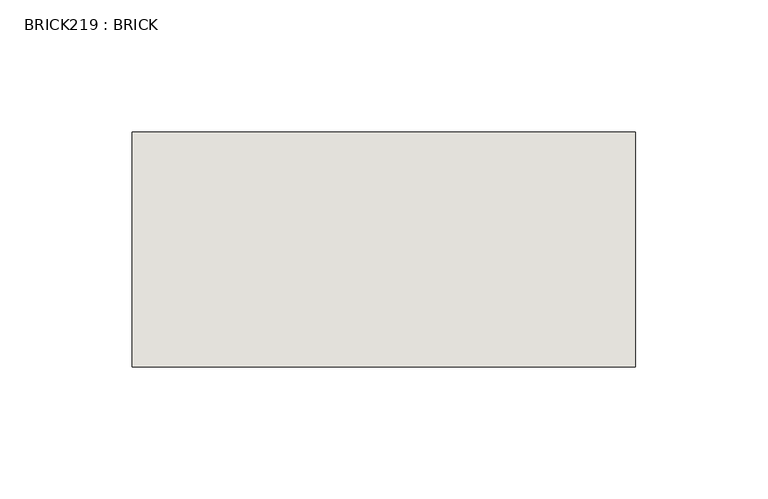
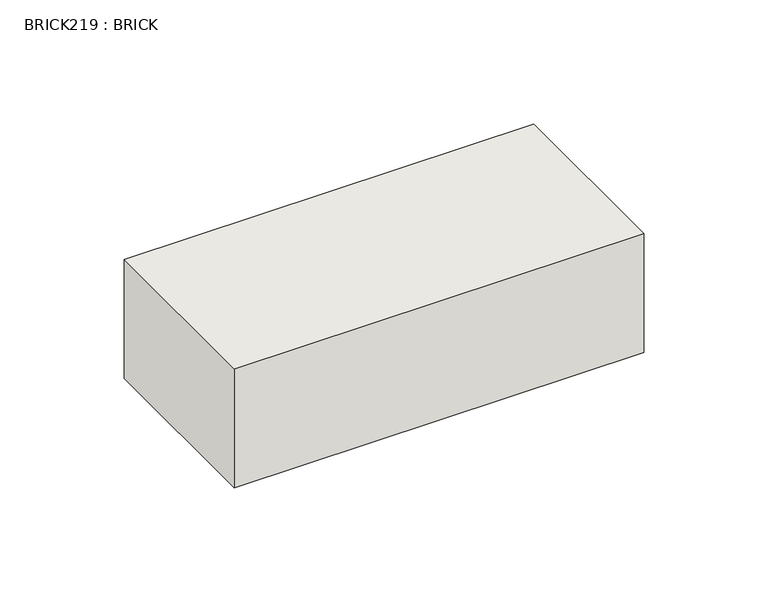
"""IFC4 building model written with IfcOpenShell, lengths in millimetres: wall geometry, BRICK219 : BRICK."""

import ifcopenshell
import ifcopenshell.guid

model = None  # the IFC model being written
_history = None  # IfcOwnerHistory: only IFC2X3 demands one
_inside = {}  # id of a spatial element -> (the spatial element, [elements in it])
_under = {}  # id of a project, library or spatial element -> (it, [spatial elements below it])
_declared = {}  # id of a project -> (the project, [libraries it declares])
_typed = {}  # id of a type object -> (the type object, [elements of that type])
_made_of = {}  # id of a material, layer set ... -> (it, [elements and type objects made of it])


def new_model(schema):
    """Start an empty IFC model of exactly this schema.

    Asked for "IFC4X3", IfcOpenShell would pick the latest addendum, in which some entities
    have other attributes; the version numbers below select the first issue.
    IFC2X3 requires an IfcOwnerHistory on every rooted entity: one is made here for all.
    """
    global model, _history
    if schema == "IFC4X3":
        model = ifcopenshell.file(schema_version=(4, 3, 0, 0))
    else:
        model = ifcopenshell.file(schema=schema)
    _inside.clear()
    _under.clear()
    _declared.clear()
    _typed.clear()
    _made_of.clear()
    _history = None
    if model.schema == "IFC2X3":
        org = make("IfcOrganization", Name="unknown")
        user = make(
            "IfcPersonAndOrganization",
            ThePerson=make("IfcPerson", FamilyName="unknown"),
            TheOrganization=org,
        )
        app = make(
            "IfcApplication",
            ApplicationDeveloper=org,
            Version="unknown",
            ApplicationFullName="unknown",
            ApplicationIdentifier="unknown",
        )
        _history = make(
            "IfcOwnerHistory",
            OwningUser=user,
            OwningApplication=app,
            ChangeAction="ADDED",
            CreationDate=0,
        )
    return model


def make(cls, **values):
    """One entity of the class cls with the attributes given. An attribute that is None is left unset."""
    return model.create_entity(
        cls, **{name: value for name, value in values.items() if value is not None}
    )


def rooted(cls, **values):
    """An entity with a GlobalId (a new one), such as an element, a storey or a relation."""
    return make(cls, GlobalId=ifcopenshell.guid.new(), OwnerHistory=_history, **values)


def si_unit(unit_type, name, prefix=None):
    """IfcSIUnit, for example si_unit("LENGTHUNIT", "METRE", prefix="MILLI")."""
    return make("IfcSIUnit", UnitType=unit_type, Prefix=prefix, Name=name)


def assignment(units):
    """IfcUnitAssignment: the units of a project."""
    return None if units is None else make("IfcUnitAssignment", Units=units)


def point(xyz):
    """IfcCartesianPoint."""
    return None if xyz is None else make("IfcCartesianPoint", Coordinates=xyz)


def direction(xyz):
    """IfcDirection."""
    return None if xyz is None else make("IfcDirection", DirectionRatios=xyz)


def frame(location, z_axis=None, x_axis=None):
    """IfcAxis2Placement3D, a coordinate frame: its origin and axes. An axis left out is left unset."""
    return make(
        "IfcAxis2Placement3D",
        Location=point(location),
        Axis=direction(z_axis),
        RefDirection=direction(x_axis),
    )


def origin():
    """The frame at (0, 0, 0) with its axes left unset."""
    return frame((0.0, 0.0, 0.0))


def place(relative_to, where):
    """IfcLocalPlacement: puts the frame where relative to a parent placement (None: the world)."""
    return make(
        "IfcLocalPlacement", PlacementRelTo=relative_to, RelativePlacement=where
    )


def context(
    kind, dimensions, precision=None, world=None, true_north=None, identifier=None
):
    """IfcGeometricRepresentationContext, for example the 3D "Model" context."""
    return make(
        "IfcGeometricRepresentationContext",
        ContextIdentifier=identifier,
        ContextType=kind,
        CoordinateSpaceDimension=dimensions,
        Precision=precision,
        WorldCoordinateSystem=world,
        TrueNorth=true_north,
    )


def project(units=None, contexts=None):
    """IfcProject with its units and contexts."""
    return rooted(
        "IfcProject",
        Name="project",
        RepresentationContexts=contexts,
        UnitsInContext=assignment(units),
    )


def spatial(cls, under=None, at=None, **own):
    """A site, building, storey or space (cls), placed at a placement, below another one or the project."""
    s = rooted(cls, ObjectPlacement=at, **own)
    if under is not None:
        _under.setdefault(under.id(), (under, []))[1].append(s)
    return s


def polyline(points):
    """IfcPolyline through the points."""
    return make("IfcPolyline", Points=[point(p) for p in points])


def outline(outer, holes=None, kind="AREA"):
    """IfcArbitraryClosedProfileDef: a profile drawn as a closed curve; with holes, ...WithVoids."""
    if holes is None:
        return make("IfcArbitraryClosedProfileDef", ProfileType=kind, OuterCurve=outer)
    return make(
        "IfcArbitraryProfileDefWithVoids",
        ProfileType=kind,
        OuterCurve=outer,
        InnerCurves=holes,
    )


def extrude(swept, where, along, depth):
    """IfcExtrudedAreaSolid: the profile swept, set in the frame where, extruded along a direction by depth."""
    return make(
        "IfcExtrudedAreaSolid",
        SweptArea=swept,
        Position=where,
        ExtrudedDirection=direction(along),
        Depth=depth,
    )


def shape(context_of_items, identifier, shape_type, items):
    """IfcShapeRepresentation: the items that make up one representation, for example the "Body"."""
    return make(
        "IfcShapeRepresentation",
        ContextOfItems=context_of_items,
        RepresentationIdentifier=identifier,
        RepresentationType=shape_type,
        Items=items,
    )


def source(mapping_origin, context_of_items, identifier, shape_type, items):
    """IfcRepresentationMap: a shape defined once, which mapped items show again and again."""
    return make(
        "IfcRepresentationMap",
        MappingOrigin=mapping_origin,
        MappedRepresentation=shape(context_of_items, identifier, shape_type, items),
    )


def transform(
    local_origin,
    x_axis=None,
    y_axis=None,
    z_axis=None,
    scale=None,
    scale2=None,
    scale3=None,
    uniform=True,
):
    """IfcCartesianTransformationOperator3D, or its non-uniform kind. x_axis, y_axis, z_axis: its Axis1, 2, 3."""
    if uniform:
        return make(
            "IfcCartesianTransformationOperator3D",
            Axis1=direction(x_axis),
            Axis2=direction(y_axis),
            LocalOrigin=point(local_origin),
            Scale=scale,
            Axis3=direction(z_axis),
        )
    return make(
        "IfcCartesianTransformationOperator3DnonUniform",
        Axis1=direction(x_axis),
        Axis2=direction(y_axis),
        LocalOrigin=point(local_origin),
        Scale=scale,
        Axis3=direction(z_axis),
        Scale2=scale2,
        Scale3=scale3,
    )


def mapped(mapping_source, mapping_target):
    """IfcMappedItem: shows the shape of a source again, moved by a transform."""
    return make(
        "IfcMappedItem", MappingSource=mapping_source, MappingTarget=mapping_target
    )


def made_of(thing, what):
    """Note that an element or type object is made of a material, layer set ...; save() writes the relation."""
    if what is not None:
        _made_of.setdefault(what.id(), (what, []))[1].append(thing)
    return thing


def element(
    cls,
    number,
    at=None,
    inside=None,
    cuts=None,
    type_object=None,
    material=None,
    context=None,
    identifier="Body",
    shape_type=None,
    held_by="IfcProductDefinitionShape",
    body=None,
    shapes=None,
    **own,
):
    """One element of the class cls, such as IfcWall. Its Tag is "e" and its number.

    at: its placement. inside: the storey or other place that contains it. cuts: it is an
    opening in that element (IfcRelVoidsElement). A single representation is given by context,
    identifier, shape_type and body (its items); several are given by shapes. held_by: the class
    of the entity that holds the representations. save() writes the other relations.
    """
    e = rooted(cls, Tag="e%d" % number, ObjectPlacement=at, **own)
    if body is not None:
        shapes = [shape(context, identifier, shape_type, body)]
    if shapes is not None:
        e.Representation = make(held_by, Representations=shapes)
    if inside is not None:
        _inside.setdefault(inside.id(), (inside, []))[1].append(e)
    if cuts is not None:
        rooted(
            "IfcRelVoidsElement", RelatingBuildingElement=cuts, RelatedOpeningElement=e
        )
    if type_object is not None:
        _typed.setdefault(type_object.id(), (type_object, []))[1].append(e)
    return made_of(e, material)


def aggregate(whole, parts):
    """IfcRelAggregates: a whole, such as a stair, and the parts it consists of."""
    return rooted("IfcRelAggregates", RelatingObject=whole, RelatedObjects=parts)


def save(model, path):
    """Write the relations noted so far, then the file.

    IfcRelAggregates (storeys below a building ...), IfcRelContainedInSpatialStructure (elements
    in a storey), IfcRelDefinesByType, IfcRelAssociatesMaterial and IfcRelDeclares: one each for
    every whole, place, type object, material and project.
    """
    for whole, parts in _under.values():
        aggregate(whole, parts)
    for where, things in _inside.values():
        rooted(
            "IfcRelContainedInSpatialStructure",
            RelatedElements=things,
            RelatingStructure=where,
        )
    for kind, things in _typed.values():
        rooted("IfcRelDefinesByType", RelatedObjects=things, RelatingType=kind)
    for what, things in _made_of.values():
        rooted("IfcRelAssociatesMaterial", RelatedObjects=things, RelatingMaterial=what)
    for by, libraries in _declared.values():
        rooted("IfcRelDeclares", RelatingContext=by, RelatedDefinitions=libraries)
    model.write(path)


def brick219_brick_39b1322d(model_context):
    return source(origin(), model_context, "Body", "SweptSolid", [
        extrude(outline(polyline([(-1277.8574357, 3062.3923312), (-1087.3574357, 3062.3923312), (-1087.3574357, 2973.4923312), (-1277.8574357, 2973.4923312), (-1277.8574357, 3062.3923312)])), frame((0.0, 0.0, 143.8671875), z_axis=(0.0, 0.0, 1.0), x_axis=(1.0, 0.0, 0.0)), (0.0, 0.0, 1.0), 58.4398437),
    ])


if __name__ == "__main__":
    model = new_model("IFC4")
    model_context = context("Model", 3, world=origin())
    ifc_project = project(units=[si_unit("LENGTHUNIT", "METRE", prefix="MILLI")], contexts=[model_context])
    site = spatial("IfcSite", under=ifc_project)
    building = spatial("IfcBuilding", under=site)
    placement = place(None, origin())
    brick219_brick_shape = brick219_brick_39b1322d(model_context)
    element("IfcWall", 1, ObjectType="BRICK219 : BRICK", at=placement, inside=building, context=model_context, shape_type="MappedRepresentation", body=[
        mapped(brick219_brick_shape, transform((0.0, 0.0, 0.0), x_axis=(1.0, 0.0, 0.0), y_axis=(0.0, 1.0, 0.0), z_axis=(0.0, 0.0, 1.0))),
    ])
    save(model, "model.ifc")
